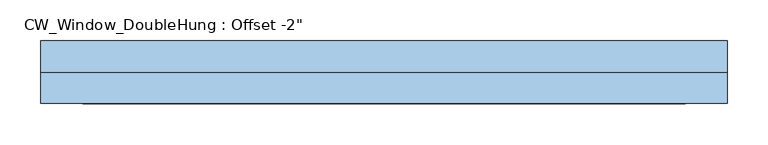
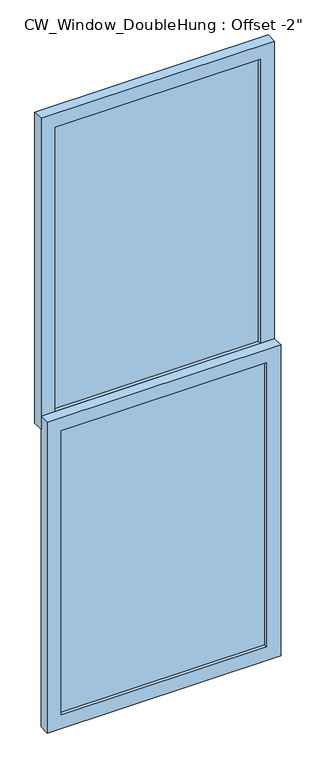
"""IFC4 building model written with IfcOpenShell, lengths in millimetres: window geometry."""

from ifc_helpers import new_model, si_unit, frame, origin, place, context, project, spatial, polyline, outline, extrude, source, transform, mapped, element, save


def window_41d2e65a(model_context):
    return source(origin(), model_context, "Body", "SweptSolid", [
        extrude(outline(polyline([(2305.05, -419.1), (1127.125, -419.1), (1127.125, 419.1), (2305.05, 419.1), (2305.05, -419.1)]), holes=[polyline([(2254.25, -368.3), (2254.25, 368.3), (1177.925, 368.3), (1177.925, -368.3), (2254.25, -368.3)])]), frame((0.0, 12.7, 0.0), z_axis=(0.0, 1.0, 0.0), x_axis=(0.0, 0.0, 1.0)), (0.0, 0.0, 1.0), 38.1),
        extrude(outline(polyline([(1177.925, -419.1), (0.0, -419.1), (0.0, 419.1), (1177.925, 419.1), (1177.925, -419.1)]), holes=[polyline([(1127.125, -368.3), (1127.125, 368.3), (50.8, 368.3), (50.8, -368.3), (1127.125, -368.3)])]), frame((0.0, -25.4, 0.0), z_axis=(0.0, 1.0, 0.0), x_axis=(0.0, 0.0, 1.0)), (0.0, 0.0, 1.0), 38.1),
        extrude(outline(polyline([(368.3, -12.7), (-368.3, -12.7), (-368.3, 0.0), (368.3, 0.0), (368.3, -12.7)])), frame((0.0, 0.0, 50.8), z_axis=(0.0, 0.0, 1.0), x_axis=(1.0, 0.0, 0.0)), (0.0, 0.0, 1.0), 1076.325),
        extrude(outline(polyline([(368.3, 25.4), (-368.3, 25.4), (-368.3, 38.1), (368.3, 38.1), (368.3, 25.4)])), frame((0.0, 0.0, 1177.925), z_axis=(0.0, 0.0, 1.0), x_axis=(1.0, 0.0, 0.0)), (0.0, 0.0, 1.0), 1076.325),
    ])


if __name__ == "__main__":
    model = new_model("IFC4")
    model_context = context("Model", 3, world=origin())
    ifc_project = project(units=[si_unit("LENGTHUNIT", "METRE", prefix="MILLI")], contexts=[model_context])
    site = spatial("IfcSite", under=ifc_project)
    building = spatial("IfcBuilding", under=site)
    placement = place(None, origin())
    window_shape = window_41d2e65a(model_context)
    element("IfcWindow", 1, ObjectType="CW_Window_DoubleHung : Offset -2\"", at=placement, inside=building, context=model_context, shape_type="MappedRepresentation", body=[
        mapped(window_shape, transform((0.0, 0.0, 0.0), x_axis=(1.0, 0.0, 0.0), y_axis=(0.0, 1.0, 0.0), z_axis=(0.0, 0.0, 1.0))),
    ])
    save(model, "model.ifc")
